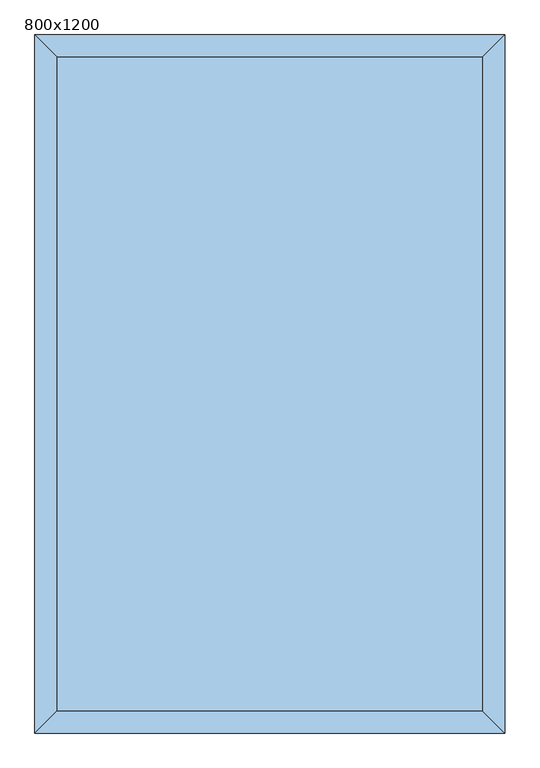
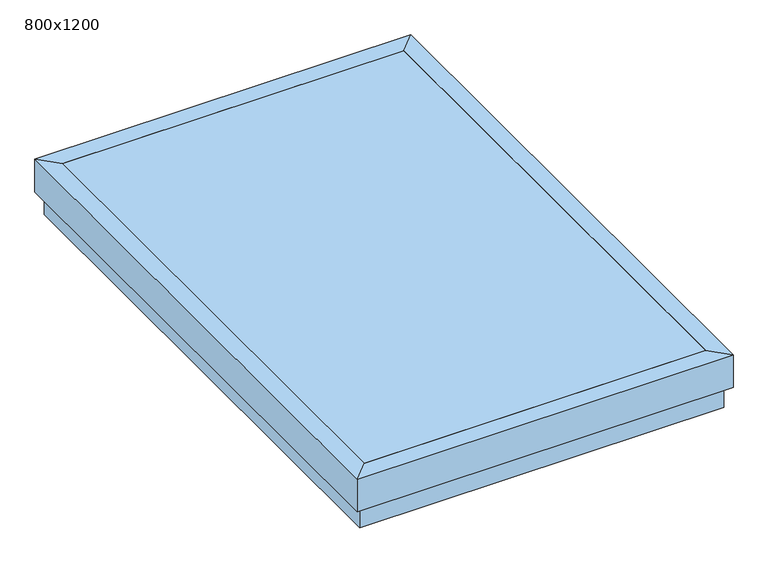
"""IFC4 building model written with IfcOpenShell, lengths in millimetres: window geometry, 800x1200."""

import ifcopenshell
import ifcopenshell.guid

model = None  # the IFC model being written
_history = None  # IfcOwnerHistory: only IFC2X3 demands one
_inside = {}  # id of a spatial element -> (the spatial element, [elements in it])
_under = {}  # id of a project, library or spatial element -> (it, [spatial elements below it])
_declared = {}  # id of a project -> (the project, [libraries it declares])
_typed = {}  # id of a type object -> (the type object, [elements of that type])
_made_of = {}  # id of a material, layer set ... -> (it, [elements and type objects made of it])


def new_model(schema):
    """Start an empty IFC model of exactly this schema.

    Asked for "IFC4X3", IfcOpenShell would pick the latest addendum, in which some entities
    have other attributes; the version numbers below select the first issue.
    IFC2X3 requires an IfcOwnerHistory on every rooted entity: one is made here for all.
    """
    global model, _history
    if schema == "IFC4X3":
        model = ifcopenshell.file(schema_version=(4, 3, 0, 0))
    else:
        model = ifcopenshell.file(schema=schema)
    _inside.clear()
    _under.clear()
    _declared.clear()
    _typed.clear()
    _made_of.clear()
    _history = None
    if model.schema == "IFC2X3":
        org = make("IfcOrganization", Name="unknown")
        user = make(
            "IfcPersonAndOrganization",
            ThePerson=make("IfcPerson", FamilyName="unknown"),
            TheOrganization=org,
        )
        app = make(
            "IfcApplication",
            ApplicationDeveloper=org,
            Version="unknown",
            ApplicationFullName="unknown",
            ApplicationIdentifier="unknown",
        )
        _history = make(
            "IfcOwnerHistory",
            OwningUser=user,
            OwningApplication=app,
            ChangeAction="ADDED",
            CreationDate=0,
        )
    return model


def make(cls, **values):
    """One entity of the class cls with the attributes given. An attribute that is None is left unset."""
    return model.create_entity(
        cls, **{name: value for name, value in values.items() if value is not None}
    )


def rooted(cls, **values):
    """An entity with a GlobalId (a new one), such as an element, a storey or a relation."""
    return make(cls, GlobalId=ifcopenshell.guid.new(), OwnerHistory=_history, **values)


def si_unit(unit_type, name, prefix=None):
    """IfcSIUnit, for example si_unit("LENGTHUNIT", "METRE", prefix="MILLI")."""
    return make("IfcSIUnit", UnitType=unit_type, Prefix=prefix, Name=name)


def assignment(units):
    """IfcUnitAssignment: the units of a project."""
    return None if units is None else make("IfcUnitAssignment", Units=units)


def point(xyz):
    """IfcCartesianPoint."""
    return None if xyz is None else make("IfcCartesianPoint", Coordinates=xyz)


def direction(xyz):
    """IfcDirection."""
    return None if xyz is None else make("IfcDirection", DirectionRatios=xyz)


def frame(location, z_axis=None, x_axis=None):
    """IfcAxis2Placement3D, a coordinate frame: its origin and axes. An axis left out is left unset."""
    return make(
        "IfcAxis2Placement3D",
        Location=point(location),
        Axis=direction(z_axis),
        RefDirection=direction(x_axis),
    )


def origin():
    """The frame at (0, 0, 0) with its axes left unset."""
    return frame((0.0, 0.0, 0.0))


def place(relative_to, where):
    """IfcLocalPlacement: puts the frame where relative to a parent placement (None: the world)."""
    return make(
        "IfcLocalPlacement", PlacementRelTo=relative_to, RelativePlacement=where
    )


def context(
    kind, dimensions, precision=None, world=None, true_north=None, identifier=None
):
    """IfcGeometricRepresentationContext, for example the 3D "Model" context."""
    return make(
        "IfcGeometricRepresentationContext",
        ContextIdentifier=identifier,
        ContextType=kind,
        CoordinateSpaceDimension=dimensions,
        Precision=precision,
        WorldCoordinateSystem=world,
        TrueNorth=true_north,
    )


def project(units=None, contexts=None):
    """IfcProject with its units and contexts."""
    return rooted(
        "IfcProject",
        Name="project",
        RepresentationContexts=contexts,
        UnitsInContext=assignment(units),
    )


def spatial(cls, under=None, at=None, **own):
    """A site, building, storey or space (cls), placed at a placement, below another one or the project."""
    s = rooted(cls, ObjectPlacement=at, **own)
    if under is not None:
        _under.setdefault(under.id(), (under, []))[1].append(s)
    return s


def polyline(points):
    """IfcPolyline through the points."""
    return make("IfcPolyline", Points=[point(p) for p in points])


def outline(outer, holes=None, kind="AREA"):
    """IfcArbitraryClosedProfileDef: a profile drawn as a closed curve; with holes, ...WithVoids."""
    if holes is None:
        return make("IfcArbitraryClosedProfileDef", ProfileType=kind, OuterCurve=outer)
    return make(
        "IfcArbitraryProfileDefWithVoids",
        ProfileType=kind,
        OuterCurve=outer,
        InnerCurves=holes,
    )


def extrude(swept, where, along, depth):
    """IfcExtrudedAreaSolid: the profile swept, set in the frame where, extruded along a direction by depth."""
    return make(
        "IfcExtrudedAreaSolid",
        SweptArea=swept,
        Position=where,
        ExtrudedDirection=direction(along),
        Depth=depth,
    )


def faces_of(points, faces, orient=None, outer=None):
    """IfcFace entities. A face is a list of loops; a loop is a list of indices into points, from 0.

    orient and outer hold one flag for each loop. By default every Orientation is true, the
    first loop of a face is its IfcFaceOuterBound and the others are IfcFaceBound.
    """
    made = []
    for i, loops in enumerate(faces):
        bounds = []
        for j, loop in enumerate(loops):
            is_outer = j == 0 if outer is None else outer[i][j]
            bounds.append(
                make(
                    "IfcFaceOuterBound" if is_outer else "IfcFaceBound",
                    Bound=make("IfcPolyLoop", Polygon=[points[k] for k in loop]),
                    Orientation=True if orient is None else orient[i][j],
                )
            )
        made.append(make("IfcFace", Bounds=bounds))
    return made


def faceted_brep(points, faces, orient=None, outer=None, voids=None):
    """IfcFacetedBrep: a solid bounded by flat faces; with voids (closed shells), ...WithVoids."""
    shared = [point(p) for p in points]
    hull = make("IfcClosedShell", CfsFaces=faces_of(shared, faces, orient, outer))
    if voids is None:
        return make("IfcFacetedBrep", Outer=hull)
    return make(
        "IfcFacetedBrepWithVoids",
        Outer=hull,
        Voids=[
            make(cls, CfsFaces=faces_of(shared, fs, o, b)) for cls, fs, o, b in voids
        ],
    )


def shape(context_of_items, identifier, shape_type, items):
    """IfcShapeRepresentation: the items that make up one representation, for example the "Body"."""
    return make(
        "IfcShapeRepresentation",
        ContextOfItems=context_of_items,
        RepresentationIdentifier=identifier,
        RepresentationType=shape_type,
        Items=items,
    )


def source(mapping_origin, context_of_items, identifier, shape_type, items):
    """IfcRepresentationMap: a shape defined once, which mapped items show again and again."""
    return make(
        "IfcRepresentationMap",
        MappingOrigin=mapping_origin,
        MappedRepresentation=shape(context_of_items, identifier, shape_type, items),
    )


def transform(
    local_origin,
    x_axis=None,
    y_axis=None,
    z_axis=None,
    scale=None,
    scale2=None,
    scale3=None,
    uniform=True,
):
    """IfcCartesianTransformationOperator3D, or its non-uniform kind. x_axis, y_axis, z_axis: its Axis1, 2, 3."""
    if uniform:
        return make(
            "IfcCartesianTransformationOperator3D",
            Axis1=direction(x_axis),
            Axis2=direction(y_axis),
            LocalOrigin=point(local_origin),
            Scale=scale,
            Axis3=direction(z_axis),
        )
    return make(
        "IfcCartesianTransformationOperator3DnonUniform",
        Axis1=direction(x_axis),
        Axis2=direction(y_axis),
        LocalOrigin=point(local_origin),
        Scale=scale,
        Axis3=direction(z_axis),
        Scale2=scale2,
        Scale3=scale3,
    )


def mapped(mapping_source, mapping_target):
    """IfcMappedItem: shows the shape of a source again, moved by a transform."""
    return make(
        "IfcMappedItem", MappingSource=mapping_source, MappingTarget=mapping_target
    )


def made_of(thing, what):
    """Note that an element or type object is made of a material, layer set ...; save() writes the relation."""
    if what is not None:
        _made_of.setdefault(what.id(), (what, []))[1].append(thing)
    return thing


def element(
    cls,
    number,
    at=None,
    inside=None,
    cuts=None,
    type_object=None,
    material=None,
    context=None,
    identifier="Body",
    shape_type=None,
    held_by="IfcProductDefinitionShape",
    body=None,
    shapes=None,
    **own,
):
    """One element of the class cls, such as IfcWall. Its Tag is "e" and its number.

    at: its placement. inside: the storey or other place that contains it. cuts: it is an
    opening in that element (IfcRelVoidsElement). A single representation is given by context,
    identifier, shape_type and body (its items); several are given by shapes. held_by: the class
    of the entity that holds the representations. save() writes the other relations.
    """
    e = rooted(cls, Tag="e%d" % number, ObjectPlacement=at, **own)
    if body is not None:
        shapes = [shape(context, identifier, shape_type, body)]
    if shapes is not None:
        e.Representation = make(held_by, Representations=shapes)
    if inside is not None:
        _inside.setdefault(inside.id(), (inside, []))[1].append(e)
    if cuts is not None:
        rooted(
            "IfcRelVoidsElement", RelatingBuildingElement=cuts, RelatedOpeningElement=e
        )
    if type_object is not None:
        _typed.setdefault(type_object.id(), (type_object, []))[1].append(e)
    return made_of(e, material)


def aggregate(whole, parts):
    """IfcRelAggregates: a whole, such as a stair, and the parts it consists of."""
    return rooted("IfcRelAggregates", RelatingObject=whole, RelatedObjects=parts)


def save(model, path):
    """Write the relations noted so far, then the file.

    IfcRelAggregates (storeys below a building ...), IfcRelContainedInSpatialStructure (elements
    in a storey), IfcRelDefinesByType, IfcRelAssociatesMaterial and IfcRelDeclares: one each for
    every whole, place, type object, material and project.
    """
    for whole, parts in _under.values():
        aggregate(whole, parts)
    for where, things in _inside.values():
        rooted(
            "IfcRelContainedInSpatialStructure",
            RelatedElements=things,
            RelatingStructure=where,
        )
    for kind, things in _typed.values():
        rooted("IfcRelDefinesByType", RelatedObjects=things, RelatingType=kind)
    for what, things in _made_of.values():
        rooted("IfcRelAssociatesMaterial", RelatedObjects=things, RelatingMaterial=what)
    for by, libraries in _declared.values():
        rooted("IfcRelDeclares", RelatingContext=by, RelatedDefinitions=libraries)
    model.write(path)


def window_800x1200_fafbddd4(model_context):
    return source(origin(), model_context, "Body", "SolidModel", [
        faceted_brep([(254.440073, 370.1040988, 4051.6), (286.190073, 401.8540988, 4051.6), (286.190073, -810.8459012, 4051.6), (254.440073, -779.0959012, 4051.6), (254.440073, 370.1040988, 4077.0), (254.440073, -779.0959012, 4077.0), (292.540073, 408.2040988, 4077.0), (292.540073, -817.1959012, 4077.0), (292.540073, 408.2040988, 4000.8), (292.540073, -817.1959012, 4000.8), (286.190073, 401.8540988, 4000.8), (286.190073, -810.8459012, 4000.8), (-526.509927, -810.8459012, 4051.6), (-494.759927, -779.0959012, 4051.6), (-494.759927, -779.0959012, 4077.0), (-532.859927, -817.1959012, 4077.0), (-532.859927, -817.1959012, 4000.8), (-526.509927, -810.8459012, 4000.8), (-526.509927, 401.8540988, 4051.6), (-494.759927, 370.1040988, 4051.6), (-494.759927, 370.1040988, 4077.0), (-532.859927, 408.2040988, 4077.0), (-532.859927, 408.2040988, 4000.8), (-526.509927, 401.8540988, 4000.8)], [[[0, 1, 2, 3]], [[4, 0, 3, 5]], [[6, 4, 5, 7]], [[8, 6, 7, 9]], [[10, 8, 9, 11]], [[1, 10, 11, 2]], [[3, 2, 12, 13]], [[5, 3, 13, 14]], [[7, 5, 14, 15]], [[9, 7, 15, 16]], [[11, 9, 16, 17]], [[2, 11, 17, 12]], [[13, 12, 18, 19]], [[14, 13, 19, 20]], [[15, 14, 20, 21]], [[16, 15, 21, 22]], [[17, 16, 22, 23]], [[12, 17, 23, 18]], [[19, 18, 1, 0]], [[20, 19, 0, 4]], [[21, 20, 4, 6]], [[22, 21, 6, 8]], [[23, 22, 8, 10]], [[18, 23, 10, 1]]]),
        faceted_brep([(279.840073, -804.4959012, 4051.6), (279.840073, -804.4959012, 3951.6), (279.840073, 395.5040988, 3951.6), (279.840073, 395.5040988, 4051.6), (254.440073, -779.0959012, 4051.6), (254.440073, 370.1040988, 4051.6), (254.440073, -779.0959012, 4026.2), (254.440073, 370.1040988, 4026.2), (235.390073, -760.0459012, 4026.2), (235.390073, 351.0540988, 4026.2), (235.390073, -760.0459012, 3951.6), (235.390073, 351.0540988, 3951.6), (-520.159927, 395.5040988, 3951.6), (-520.159927, 395.5040988, 4051.6), (-494.759927, 370.1040988, 4051.6), (-494.759927, 370.1040988, 4026.2), (-475.709927, 351.0540988, 4026.2), (-475.709927, 351.0540988, 3951.6), (-520.159927, -804.4959012, 3951.6), (-520.159927, -804.4959012, 4051.6), (-494.759927, -779.0959012, 4051.6), (-494.759927, -779.0959012, 4026.2), (-475.709927, -760.0459012, 4026.2), (-475.709927, -760.0459012, 3951.6)], [[[0, 1, 2, 3]], [[4, 0, 3, 5]], [[6, 4, 5, 7]], [[8, 6, 7, 9]], [[10, 8, 9, 11]], [[1, 10, 11, 2]], [[3, 2, 12, 13]], [[5, 3, 13, 14]], [[7, 5, 14, 15]], [[9, 7, 15, 16]], [[11, 9, 16, 17]], [[2, 11, 17, 12]], [[13, 12, 18, 19]], [[14, 13, 19, 20]], [[15, 14, 20, 21]], [[16, 15, 21, 22]], [[17, 16, 22, 23]], [[12, 17, 23, 18]], [[19, 18, 1, 0]], [[20, 19, 0, 4]], [[21, 20, 4, 6]], [[22, 21, 6, 8]], [[23, 22, 8, 10]], [[18, 23, 10, 1]]]),
        extrude(outline(polyline([(254.440073, -779.0959012), (-494.759927, -779.0959012), (-494.759927, 370.1040988), (254.440073, 370.1040988), (254.440073, -779.0959012)])), frame((0.0, 0.0, 4070.65), z_axis=(0.0, 0.0, 1.0), x_axis=(1.0, 0.0, 0.0)), (0.0, 0.0, 1.0), 6.35),
    ])


if __name__ == "__main__":
    model = new_model("IFC4")
    model_context = context("Model", 3, world=origin())
    ifc_project = project(units=[si_unit("LENGTHUNIT", "METRE", prefix="MILLI")], contexts=[model_context])
    site = spatial("IfcSite", under=ifc_project)
    building = spatial("IfcBuilding", under=site)
    placement = place(None, origin())
    window_800x1200_shape = window_800x1200_fafbddd4(model_context)
    element("IfcWindow", 1, ObjectType="800x1200", at=placement, inside=building, context=model_context, shape_type="MappedRepresentation", body=[
        mapped(window_800x1200_shape, transform((0.0, 0.0, 0.0), x_axis=(1.0, 0.0, 0.0), y_axis=(0.0, 1.0, 0.0), z_axis=(0.0, 0.0, 1.0))),
    ])
    save(model, "model.ifc")
